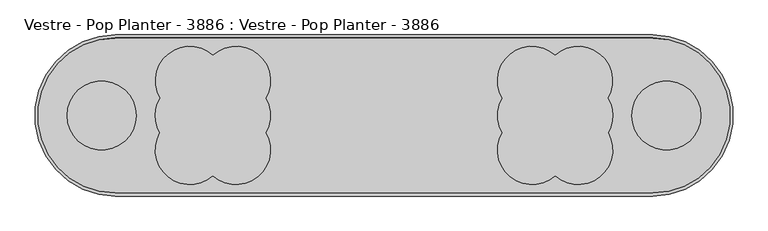
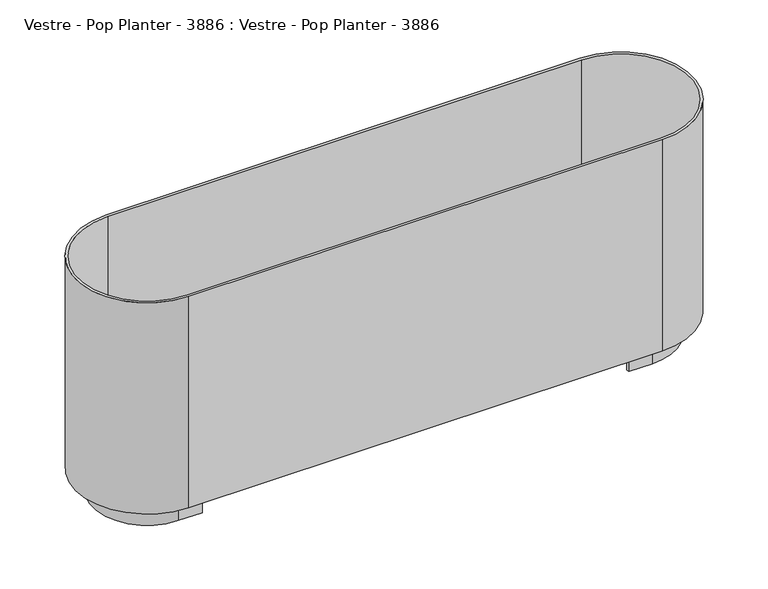
"""IFC4 building model written with IfcOpenShell, lengths in millimetres: furniture geometry, Vestre - Pop Planter - 3886 : Vestre - Pop Planter - 3886."""

import ifcopenshell
import ifcopenshell.guid

model = None  # the IFC model being written
_history = None  # IfcOwnerHistory: only IFC2X3 demands one
_inside = {}  # id of a spatial element -> (the spatial element, [elements in it])
_under = {}  # id of a project, library or spatial element -> (it, [spatial elements below it])
_declared = {}  # id of a project -> (the project, [libraries it declares])
_typed = {}  # id of a type object -> (the type object, [elements of that type])
_made_of = {}  # id of a material, layer set ... -> (it, [elements and type objects made of it])


def new_model(schema):
    """Start an empty IFC model of exactly this schema.

    Asked for "IFC4X3", IfcOpenShell would pick the latest addendum, in which some entities
    have other attributes; the version numbers below select the first issue.
    IFC2X3 requires an IfcOwnerHistory on every rooted entity: one is made here for all.
    """
    global model, _history
    if schema == "IFC4X3":
        model = ifcopenshell.file(schema_version=(4, 3, 0, 0))
    else:
        model = ifcopenshell.file(schema=schema)
    _inside.clear()
    _under.clear()
    _declared.clear()
    _typed.clear()
    _made_of.clear()
    _history = None
    if model.schema == "IFC2X3":
        org = make("IfcOrganization", Name="unknown")
        user = make(
            "IfcPersonAndOrganization",
            ThePerson=make("IfcPerson", FamilyName="unknown"),
            TheOrganization=org,
        )
        app = make(
            "IfcApplication",
            ApplicationDeveloper=org,
            Version="unknown",
            ApplicationFullName="unknown",
            ApplicationIdentifier="unknown",
        )
        _history = make(
            "IfcOwnerHistory",
            OwningUser=user,
            OwningApplication=app,
            ChangeAction="ADDED",
            CreationDate=0,
        )
    return model


def make(cls, **values):
    """One entity of the class cls with the attributes given. An attribute that is None is left unset."""
    return model.create_entity(
        cls, **{name: value for name, value in values.items() if value is not None}
    )


def rooted(cls, **values):
    """An entity with a GlobalId (a new one), such as an element, a storey or a relation."""
    return make(cls, GlobalId=ifcopenshell.guid.new(), OwnerHistory=_history, **values)


def si_unit(unit_type, name, prefix=None):
    """IfcSIUnit, for example si_unit("LENGTHUNIT", "METRE", prefix="MILLI")."""
    return make("IfcSIUnit", UnitType=unit_type, Prefix=prefix, Name=name)


def assignment(units):
    """IfcUnitAssignment: the units of a project."""
    return None if units is None else make("IfcUnitAssignment", Units=units)


def point(xyz):
    """IfcCartesianPoint."""
    return None if xyz is None else make("IfcCartesianPoint", Coordinates=xyz)


def direction(xyz):
    """IfcDirection."""
    return None if xyz is None else make("IfcDirection", DirectionRatios=xyz)


def frame(location, z_axis=None, x_axis=None):
    """IfcAxis2Placement3D, a coordinate frame: its origin and axes. An axis left out is left unset."""
    return make(
        "IfcAxis2Placement3D",
        Location=point(location),
        Axis=direction(z_axis),
        RefDirection=direction(x_axis),
    )


def frame_2d(location, x_axis=None):
    """IfcAxis2Placement2D, a coordinate frame in the plane: its origin and x axis."""
    return make(
        "IfcAxis2Placement2D", Location=point(location), RefDirection=direction(x_axis)
    )


def origin():
    """The frame at (0, 0, 0) with its axes left unset."""
    return frame((0.0, 0.0, 0.0))


def place(relative_to, where):
    """IfcLocalPlacement: puts the frame where relative to a parent placement (None: the world)."""
    return make(
        "IfcLocalPlacement", PlacementRelTo=relative_to, RelativePlacement=where
    )


def context(
    kind, dimensions, precision=None, world=None, true_north=None, identifier=None
):
    """IfcGeometricRepresentationContext, for example the 3D "Model" context."""
    return make(
        "IfcGeometricRepresentationContext",
        ContextIdentifier=identifier,
        ContextType=kind,
        CoordinateSpaceDimension=dimensions,
        Precision=precision,
        WorldCoordinateSystem=world,
        TrueNorth=true_north,
    )


def project(units=None, contexts=None):
    """IfcProject with its units and contexts."""
    return rooted(
        "IfcProject",
        Name="project",
        RepresentationContexts=contexts,
        UnitsInContext=assignment(units),
    )


def spatial(cls, under=None, at=None, **own):
    """A site, building, storey or space (cls), placed at a placement, below another one or the project."""
    s = rooted(cls, ObjectPlacement=at, **own)
    if under is not None:
        _under.setdefault(under.id(), (under, []))[1].append(s)
    return s


def polyline(points):
    """IfcPolyline through the points."""
    return make("IfcPolyline", Points=[point(p) for p in points])


def circle_curve(where, radius):
    """IfcCircle in the frame where."""
    return make("IfcCircle", Position=where, Radius=radius)


def trimmed(basis, trim1, trim2, sense, master):
    """IfcTrimmedCurve: the piece of a basis curve between two trims."""
    return make(
        "IfcTrimmedCurve",
        BasisCurve=basis,
        Trim1=trim1,
        Trim2=trim2,
        SenseAgreement=sense,
        MasterRepresentation=master,
    )


def segment(curve, same_sense, transition):
    """IfcCompositeCurveSegment."""
    return make(
        "IfcCompositeCurveSegment",
        Transition=transition,
        SameSense=same_sense,
        ParentCurve=curve,
    )


def composite_curve(segments, self_intersect=None):
    """IfcCompositeCurve: segments joined end to end."""
    return make("IfcCompositeCurve", Segments=segments, SelfIntersect=self_intersect)


def outline(outer, holes=None, kind="AREA"):
    """IfcArbitraryClosedProfileDef: a profile drawn as a closed curve; with holes, ...WithVoids."""
    if holes is None:
        return make("IfcArbitraryClosedProfileDef", ProfileType=kind, OuterCurve=outer)
    return make(
        "IfcArbitraryProfileDefWithVoids",
        ProfileType=kind,
        OuterCurve=outer,
        InnerCurves=holes,
    )


def extrude(swept, where, along, depth):
    """IfcExtrudedAreaSolid: the profile swept, set in the frame where, extruded along a direction by depth."""
    return make(
        "IfcExtrudedAreaSolid",
        SweptArea=swept,
        Position=where,
        ExtrudedDirection=direction(along),
        Depth=depth,
    )


def shape(context_of_items, identifier, shape_type, items):
    """IfcShapeRepresentation: the items that make up one representation, for example the "Body"."""
    return make(
        "IfcShapeRepresentation",
        ContextOfItems=context_of_items,
        RepresentationIdentifier=identifier,
        RepresentationType=shape_type,
        Items=items,
    )


def source(mapping_origin, context_of_items, identifier, shape_type, items):
    """IfcRepresentationMap: a shape defined once, which mapped items show again and again."""
    return make(
        "IfcRepresentationMap",
        MappingOrigin=mapping_origin,
        MappedRepresentation=shape(context_of_items, identifier, shape_type, items),
    )


def transform(
    local_origin,
    x_axis=None,
    y_axis=None,
    z_axis=None,
    scale=None,
    scale2=None,
    scale3=None,
    uniform=True,
):
    """IfcCartesianTransformationOperator3D, or its non-uniform kind. x_axis, y_axis, z_axis: its Axis1, 2, 3."""
    if uniform:
        return make(
            "IfcCartesianTransformationOperator3D",
            Axis1=direction(x_axis),
            Axis2=direction(y_axis),
            LocalOrigin=point(local_origin),
            Scale=scale,
            Axis3=direction(z_axis),
        )
    return make(
        "IfcCartesianTransformationOperator3DnonUniform",
        Axis1=direction(x_axis),
        Axis2=direction(y_axis),
        LocalOrigin=point(local_origin),
        Scale=scale,
        Axis3=direction(z_axis),
        Scale2=scale2,
        Scale3=scale3,
    )


def mapped(mapping_source, mapping_target):
    """IfcMappedItem: shows the shape of a source again, moved by a transform."""
    return make(
        "IfcMappedItem", MappingSource=mapping_source, MappingTarget=mapping_target
    )


def made_of(thing, what):
    """Note that an element or type object is made of a material, layer set ...; save() writes the relation."""
    if what is not None:
        _made_of.setdefault(what.id(), (what, []))[1].append(thing)
    return thing


def element(
    cls,
    number,
    at=None,
    inside=None,
    cuts=None,
    type_object=None,
    material=None,
    context=None,
    identifier="Body",
    shape_type=None,
    held_by="IfcProductDefinitionShape",
    body=None,
    shapes=None,
    **own,
):
    """One element of the class cls, such as IfcWall. Its Tag is "e" and its number.

    at: its placement. inside: the storey or other place that contains it. cuts: it is an
    opening in that element (IfcRelVoidsElement). A single representation is given by context,
    identifier, shape_type and body (its items); several are given by shapes. held_by: the class
    of the entity that holds the representations. save() writes the other relations.
    """
    e = rooted(cls, Tag="e%d" % number, ObjectPlacement=at, **own)
    if body is not None:
        shapes = [shape(context, identifier, shape_type, body)]
    if shapes is not None:
        e.Representation = make(held_by, Representations=shapes)
    if inside is not None:
        _inside.setdefault(inside.id(), (inside, []))[1].append(e)
    if cuts is not None:
        rooted(
            "IfcRelVoidsElement", RelatingBuildingElement=cuts, RelatedOpeningElement=e
        )
    if type_object is not None:
        _typed.setdefault(type_object.id(), (type_object, []))[1].append(e)
    return made_of(e, material)


def aggregate(whole, parts):
    """IfcRelAggregates: a whole, such as a stair, and the parts it consists of."""
    return rooted("IfcRelAggregates", RelatingObject=whole, RelatedObjects=parts)


def save(model, path):
    """Write the relations noted so far, then the file.

    IfcRelAggregates (storeys below a building ...), IfcRelContainedInSpatialStructure (elements
    in a storey), IfcRelDefinesByType, IfcRelAssociatesMaterial and IfcRelDeclares: one each for
    every whole, place, type object, material and project.
    """
    for whole, parts in _under.values():
        aggregate(whole, parts)
    for where, things in _inside.values():
        rooted(
            "IfcRelContainedInSpatialStructure",
            RelatedElements=things,
            RelatingStructure=where,
        )
    for kind, things in _typed.values():
        rooted("IfcRelDefinesByType", RelatedObjects=things, RelatingType=kind)
    for what, things in _made_of.values():
        rooted("IfcRelAssociatesMaterial", RelatedObjects=things, RelatingMaterial=what)
    for by, libraries in _declared.values():
        rooted("IfcRelDeclares", RelatingContext=by, RelatedDefinitions=libraries)
    model.write(path)


def plane_surface(at):
    """IfcPlane: the flat surface through the origin of the frame at, square to its z axis."""
    return make("IfcPlane", Position=at)


def cylinder_surface(at, radius):
    """IfcCylindricalSurface: all points at the distance radius from the z axis of the frame at."""
    return make("IfcCylindricalSurface", Position=at, Radius=radius)


def revolved_surface(curve, axis_point, axis_direction):
    """IfcSurfaceOfRevolution: the curve turned about the line through axis_point along axis_direction."""
    return make(
        "IfcSurfaceOfRevolution",
        SweptCurve=make("IfcArbitraryOpenProfileDef", ProfileType="CURVE", Curve=curve),
        AxisPosition=make("IfcAxis1Placement", Location=point(axis_point), Axis=direction(axis_direction)),
    )


def advanced_brep(points, edges, surfaces, faces):
    """IfcAdvancedBrep: a solid bounded by faces that lie on surfaces and meet in shared edges.

    An edge is (start, end): straight between two places in points (the first is 0);
    or (start, end, curve); or (start, end, curve, False) where it runs against its curve.
    A face is (place in surfaces, loops), or (place, loops, False) where it looks against
    its surface's normal. A loop lists edges by number (the first is 1), with a minus sign
    where the edge is run from its end to its start. The first loop is the outer one.
    """
    corners = [point(p) for p in points]
    vertices = [make("IfcVertexPoint", VertexGeometry=c) for c in corners]
    made = []
    for start, end, *more in edges:
        made.append(
            make(
                "IfcEdgeCurve",
                EdgeStart=vertices[start],
                EdgeEnd=vertices[end],
                EdgeGeometry=more[0] if more else make("IfcPolyline", Points=[corners[start], corners[end]]),
                SameSense=more[1] if len(more) > 1 else True,
            )
        )
    hull = []
    for where, loops, *sense in faces:
        bounds = []
        for j, loop in enumerate(loops):
            ring = [make("IfcOrientedEdge", EdgeElement=made[abs(k) - 1], Orientation=k > 0) for k in loop]
            bounds.append(
                make(
                    "IfcFaceOuterBound" if j == 0 else "IfcFaceBound",
                    Bound=make("IfcEdgeLoop", EdgeList=ring),
                    Orientation=True,
                )
            )
        hull.append(make("IfcAdvancedFace", Bounds=bounds, FaceSurface=surfaces[where], SameSense=sense[0] if sense else True))
    return make("IfcAdvancedBrep", Outer=make("IfcClosedShell", CfsFaces=hull))


def vestre_pop_planter_3886_vestre_pop_planter_3886_88736912(model_context):
    return source(origin(), model_context, "Body", "SolidModel", [
        advanced_brep(
        [(-700.0, 210.0, 730.0), (-700.0, -210.0, 730.0), (700.0, -210.0, 730.0), (700.0, 210.0, 730.0), (-700.0, -202.0, 730.0), (-700.0, 202.0, 730.0), (700.0, 202.0, 730.0), (700.0, -202.0, 730.0), (-700.0, -210.0, 70.0), (-700.0, 210.0, 70.0), (700.0, 210.0, 70.0), (700.0, -210.0, 70.0), (-630.0, 152.0, 70.0), (-630.0, 160.0, 70.0), (-700.0, 160.0, 70.0), (-700.0, -160.0, 70.0), (-630.0, -160.0, 70.0), (-630.0, -152.0, 70.0), (-700.0, -152.0, 70.0), (-700.0, 152.0, 70.0), (630.0, 152.0, 70.0), (700.0, 152.0, 70.0), (700.0, -152.0, 70.0), (630.0, -152.0, 70.0), (630.0, -160.0, 70.0), (700.0, -160.0, 70.0), (700.0, 160.0, 70.0), (630.0, 160.0, 70.0), (700.0, -202.0, 80.0), (-700.0, -202.0, 80.0), (-700.0, 202.0, 80.0), (700.0, 202.0, 80.0), (-630.0, 152.0, 0.0), (-700.0, 152.0, 0.0), (-700.0, -152.0, 0.0), (-630.0, -152.0, 0.0), (-630.0, -160.0, 0.0), (-700.0, -160.0, 0.0), (-700.0, 160.0, 0.0), (-630.0, 160.0, 0.0), (630.0, 152.0, 0.0), (630.0, 160.0, 0.0), (700.0, 160.0, 0.0), (700.0, -160.0, 0.0), (630.0, -160.0, 0.0), (630.0, -152.0, 0.0), (700.0, -152.0, 0.0), (700.0, 152.0, 0.0)],
        [
            (0, 1, circle_curve(frame((-700.0, 0.0, 730.0), z_axis=(0.0, 0.0, 1.0), x_axis=(0.0, -1.0, 0.0)), 210.0)),
            (1, 2),
            (2, 3, circle_curve(frame((700.0, 0.0, 730.0), z_axis=(0.0, 0.0, 1.0), x_axis=(0.0, -1.0, 0.0)), 210.0)),
            (3, 0),
            (4, 5, circle_curve(frame((-700.0, 0.0, 730.0), z_axis=(0.0, 0.0, -1.0), x_axis=(0.0, 1.0, 0.0)), 202.0)),
            (5, 6),
            (6, 7, circle_curve(frame((700.0, 0.0, 730.0), z_axis=(0.0, 0.0, -1.0), x_axis=(0.0, 1.0, 0.0)), 202.0)),
            (7, 4),
            (8, 9, circle_curve(frame((-700.0, 0.0, 70.0), z_axis=(0.0, 0.0, -1.0), x_axis=(0.0, -1.0, 0.0)), 210.0)),
            (9, 10),
            (10, 11, circle_curve(frame((700.0, 0.0, 70.0), z_axis=(0.0, 0.0, -1.0), x_axis=(0.0, -1.0, 0.0)), 210.0)),
            (11, 8),
            (12, 13),
            (13, 14),
            (14, 15, circle_curve(frame((-700.0, 0.0, 70.0), z_axis=(0.0, 0.0, 1.0), x_axis=(0.0, -1.0, 0.0)), 160.0)),
            (15, 16),
            (16, 17),
            (17, 18),
            (18, 19, circle_curve(frame((-700.0, 0.0, 70.0), z_axis=(0.0, 0.0, -1.0), x_axis=(0.0, 1.0, 0.0)), 152.0)),
            (19, 12),
            (20, 21),
            (21, 22, circle_curve(frame((700.0, 0.0, 70.0), z_axis=(0.0, 0.0, -1.0), x_axis=(0.0, 1.0, 0.0)), 152.0)),
            (22, 23),
            (23, 24),
            (24, 25),
            (25, 26, circle_curve(frame((700.0, 0.0, 70.0), z_axis=(0.0, 0.0, 1.0), x_axis=(0.0, -1.0, 0.0)), 160.0)),
            (26, 27),
            (27, 20),
            (0, 9),
            (8, 1),
            (11, 2),
            (7, 28),
            (28, 29),
            (29, 4),
            (29, 30, circle_curve(frame((-700.0, 0.0, 80.0), z_axis=(0.0, 0.0, -1.0), x_axis=(0.0, 1.0, 0.0)), 202.0)),
            (30, 5),
            (30, 31),
            (31, 6),
            (3, 10),
            (31, 28, circle_curve(frame((700.0, 0.0, 80.0), z_axis=(0.0, 0.0, -1.0), x_axis=(0.0, 1.0, 0.0)), 202.0)),
            (32, 33),
            (33, 34, circle_curve(frame((-700.0, 0.0, 0.0), z_axis=(0.0, 0.0, 1.0), x_axis=(0.0, 1.0, 0.0)), 152.0)),
            (34, 35),
            (35, 36),
            (36, 37),
            (37, 38, circle_curve(frame((-700.0, 0.0, 0.0), z_axis=(0.0, 0.0, -1.0), x_axis=(0.0, -1.0, 0.0)), 160.0)),
            (38, 39),
            (39, 32),
            (40, 41),
            (41, 42),
            (42, 43, circle_curve(frame((700.0, 0.0, 0.0), z_axis=(0.0, 0.0, -1.0), x_axis=(0.0, -1.0, 0.0)), 160.0)),
            (43, 44),
            (44, 45),
            (45, 46),
            (46, 47, circle_curve(frame((700.0, 0.0, 0.0), z_axis=(0.0, 0.0, 1.0), x_axis=(0.0, 1.0, 0.0)), 152.0)),
            (47, 40),
            (39, 13),
            (12, 32),
            (38, 14),
            (37, 15),
            (36, 16),
            (35, 17),
            (34, 18),
            (33, 19),
            (47, 21),
            (20, 40),
            (46, 22),
            (45, 23),
            (44, 24),
            (43, 25),
            (42, 26),
            (41, 27),
        ],
        [
            plane_surface(frame((-700.0, -210.0, 730.0), z_axis=(0.0, 0.0, 1.0), x_axis=(1.0, 0.0, 0.0))),
            plane_surface(frame((-700.0, -210.0, 70.0), z_axis=(0.0, 0.0, -1.0), x_axis=(-1.0, 0.0, 0.0))),
            cylinder_surface(frame((-700.0, 0.0, 70.0), z_axis=(0.0, 0.0, 1.0), x_axis=(0.0, -1.0, 0.0)), 210.0),
            plane_surface(frame((-700.0, -210.0, 730.0), z_axis=(0.0, -1.0, 0.0), x_axis=(0.0, 0.0, -1.0))),
            plane_surface(frame((-630.0, -202.0, 730.0), z_axis=(0.0, 1.0, 0.0), x_axis=(0.0, 0.0, -1.0))),
            revolved_surface(polyline([(-700.0, 202.0, 80.0), (-700.0, 202.0, 730.0)]), (-700.0, 0.0, 70.0), (0.0, 0.0, -1.0)),
            plane_surface(frame((-700.0, 202.0, 730.0), z_axis=(0.0, -1.0, 0.0), x_axis=(0.0, 0.0, -1.0))),
            plane_surface(frame((-630.0, 210.0, 730.0), z_axis=(0.0, 1.0, 0.0), x_axis=(0.0, 0.0, -1.0))),
            cylinder_surface(frame((700.0, 0.0, 70.0), z_axis=(0.0, 0.0, 1.0), x_axis=(0.0, -1.0, 0.0)), 210.0),
            revolved_surface(polyline([(700.0, 202.0, 80.0), (700.0, 202.0, 730.0)]), (700.0, 0.0, 70.0), (0.0, 0.0, -1.0)),
            plane_surface(frame((-700.0, 202.0, 80.0), z_axis=(0.0, 0.0, 1.0), x_axis=(-1.0, 0.0, 0.0))),
            plane_surface(frame((-630.0, 152.0, 0.0), z_axis=(0.0, 0.0, -1.0), x_axis=(0.0, -1.0, 0.0))),
            plane_surface(frame((-630.0, 152.0, 70.0), z_axis=(1.0, 0.0, 0.0), x_axis=(0.0, 0.0, -1.0))),
            plane_surface(frame((-630.0, 160.0, 70.0), z_axis=(0.0, 1.0, 0.0), x_axis=(0.0, 0.0, -1.0))),
            cylinder_surface(frame((-700.0, 0.0, 0.0), z_axis=(0.0, 0.0, 1.0), x_axis=(0.0, -1.0, 0.0)), 160.0),
            plane_surface(frame((-700.0, -160.0, 70.0), z_axis=(0.0, -1.0, 0.0), x_axis=(0.0, 0.0, -1.0))),
            plane_surface(frame((-630.0, -160.0, 70.0), z_axis=(1.0, 0.0, 0.0), x_axis=(0.0, 0.0, -1.0))),
            plane_surface(frame((-630.0, -152.0, 70.0), z_axis=(0.0, 1.0, 0.0), x_axis=(0.0, 0.0, -1.0))),
            revolved_surface(polyline([(-700.0, 152.0, 0.0), (-700.0, 152.0, 70.0)]), (-700.0, 0.0, 0.0), (0.0, 0.0, -1.0)),
            plane_surface(frame((-700.0, 152.0, 70.0), z_axis=(0.0, -1.0, 0.0), x_axis=(0.0, 0.0, -1.0))),
            plane_surface(frame((630.0, 152.0, 70.0), z_axis=(0.0, -1.0, 0.0), x_axis=(0.0, 0.0, -1.0))),
            revolved_surface(polyline([(700.0, 152.0, 0.0), (700.0, 152.0, 70.0)]), (700.0, 0.0, 0.0), (0.0, 0.0, -1.0)),
            plane_surface(frame((700.0, -152.0, 70.0), z_axis=(0.0, 1.0, 0.0), x_axis=(0.0, 0.0, -1.0))),
            plane_surface(frame((630.0, -152.0, 70.0), z_axis=(-1.0, 0.0, 0.0), x_axis=(0.0, 0.0, -1.0))),
            plane_surface(frame((630.0, -160.0, 70.0), z_axis=(0.0, -1.0, 0.0), x_axis=(0.0, 0.0, -1.0))),
            cylinder_surface(frame((700.0, 0.0, 0.0), z_axis=(0.0, 0.0, 1.0), x_axis=(0.0, -1.0, 0.0)), 160.0),
            plane_surface(frame((700.0, 160.0, 70.0), z_axis=(0.0, 1.0, 0.0), x_axis=(0.0, 0.0, -1.0))),
            plane_surface(frame((630.0, 160.0, 70.0), z_axis=(-1.0, 0.0, 0.0), x_axis=(0.0, 0.0, -1.0))),
        ],
        [
            (0, [[1, 2, 3, 4], [5, 6, 7, 8]]),
            (1, [[9, 10, 11, 12], [13, 14, 15, 16, 17, 18, 19, 20], [21, 22, 23, 24, 25, 26, 27, 28]]),
            (2, [[-1, 29, -9, 30]]),
            (3, [[-30, -12, 31, -2]]),
            (4, [[-8, 32, 33, 34]]),
            (5, [[-5, -34, 35, 36]]),
            (6, [[-6, -36, 37, 38]]),
            (7, [[-29, -4, 39, -10]]),
            (8, [[-3, -31, -11, -39]]),
            (9, [[-7, -38, 40, -32]]),
            (10, [[-33, -40, -37, -35]]),
            (11, [[41, 42, 43, 44, 45, 46, 47, 48]]),
            (11, [[49, 50, 51, 52, 53, 54, 55, 56]]),
            (12, [[-48, 57, -13, 58]]),
            (13, [[-47, 59, -14, -57]]),
            (14, [[-46, 60, -15, -59]]),
            (15, [[-45, 61, -16, -60]]),
            (16, [[-44, 62, -17, -61]]),
            (17, [[-43, 63, -18, -62]]),
            (18, [[-42, 64, -19, -63]]),
            (19, [[-41, -58, -20, -64]]),
            (20, [[-56, 65, -21, 66]]),
            (21, [[-55, 67, -22, -65]]),
            (22, [[-54, 68, -23, -67]]),
            (23, [[-53, 69, -24, -68]]),
            (24, [[-52, 70, -25, -69]]),
            (25, [[-51, 71, -26, -70]]),
            (26, [[-50, 72, -27, -71]]),
            (27, [[-49, -66, -28, -72]]),
        ],
    ),
        extrude(outline(composite_curve([segment(polyline([(-700.0, 202.0), (700.0, 202.0)]), True, "CONTINUOUS"), segment(trimmed(circle_curve(frame_2d((700.0, 0.0)), 202.0), [point((700.0, 202.0))], [point((700.0, -202.0))], False, "CARTESIAN"), True, "CONTINUOUS"), segment(polyline([(700.0, -202.0), (-700.0, -202.0)]), True, "CONTINUOUS"), segment(trimmed(circle_curve(frame_2d((-700.0, 0.0)), 202.0), [point((-700.0, -202.0))], [point((-700.0, 202.0))], False, "CARTESIAN"), True, "CONTINUOUS")], self_intersect=False), holes=[composite_curve([segment(trimmed(circle_curve(frame_2d((-736.1748477, 0.0)), 90.0), [point((-826.1748477, 0.0))], [point((-646.1748477, 0.0))], True, "CARTESIAN"), True, "CONTINUOUS"), segment(trimmed(circle_curve(frame_2d((-736.1748477, 0.0)), 90.0), [point((-646.1748477, 0.0))], [point((-826.1748477, 0.0))], True, "CARTESIAN"), True, "CONTINUOUS")], self_intersect=False), composite_curve([segment(trimmed(circle_curve(frame_2d((736.1748477, 0.0)), 90.0), [point((826.1748477, 0.0))], [point((646.1748477, 0.0))], True, "CARTESIAN"), True, "CONTINUOUS"), segment(trimmed(circle_curve(frame_2d((736.1748477, 0.0)), 90.0), [point((646.1748477, 0.0))], [point((826.1748477, 0.0))], True, "CARTESIAN"), True, "CONTINUOUS")], self_intersect=False), composite_curve([segment(trimmed(circle_curve(frame_2d((-506.1748477, 0.0)), 90.0), [point((-583.8447926, 45.4684468))], [point((-584.117134, -45.0))], True, "CARTESIAN"), True, "CONTINUOUS"), segment(trimmed(circle_curve(frame_2d((-506.1748477, -90.0)), 90.0), [point((-584.117134, -45.0))], [point((-446.1748477, -157.0820393))], True, "CARTESIAN"), True, "CONTINUOUS"), segment(trimmed(circle_curve(frame_2d((-386.1629994, -89.8687474)), 90.105763), [point((-446.1748477, -157.0820393))], [point((-308.1278269, -44.8181051))], True, "CARTESIAN"), True, "CONTINUOUS"), segment(trimmed(circle_curve(frame_2d((-386.1748477, 0.0)), 90.0), [point((-308.1278269, -44.8181051))], [point((-308.1278269, 44.8181051))], True, "CARTESIAN"), True, "CONTINUOUS"), segment(trimmed(circle_curve(frame_2d((-385.7977718, 90.2865519)), 90.0), [point((-308.1278269, 44.8181051))], [point((-445.7977718, 157.3685912))], True, "CARTESIAN"), True, "CONTINUOUS"), segment(trimmed(circle_curve(frame_2d((-505.7977718, 90.2865519)), 90.0), [point((-445.7977718, 157.3685912))], [point((-583.8447926, 45.4684468))], True, "CARTESIAN"), True, "CONTINUOUS")], self_intersect=False), composite_curve([segment(trimmed(circle_curve(frame_2d((505.7977718, 90.2865519)), 90.0), [point((583.8447926, 45.4684468))], [point((445.7977718, 157.3685912))], True, "CARTESIAN"), True, "CONTINUOUS"), segment(trimmed(circle_curve(frame_2d((385.7977718, 90.2865519)), 90.0), [point((445.7977718, 157.3685912))], [point((308.1278269, 44.8181051))], True, "CARTESIAN"), True, "CONTINUOUS"), segment(trimmed(circle_curve(frame_2d((386.1748477, 0.0)), 90.0), [point((308.1278269, 44.8181051))], [point((308.1278269, -44.8181051))], True, "CARTESIAN"), True, "CONTINUOUS"), segment(trimmed(circle_curve(frame_2d((386.1629994, -89.8687474)), 90.105763), [point((308.1278269, -44.8181051))], [point((446.1748477, -157.0820393))], True, "CARTESIAN"), True, "CONTINUOUS"), segment(trimmed(circle_curve(frame_2d((506.1748477, -90.0)), 90.0), [point((446.1748477, -157.0820393))], [point((584.117134, -45.0))], True, "CARTESIAN"), True, "CONTINUOUS"), segment(trimmed(circle_curve(frame_2d((506.1748477, 0.0)), 90.0), [point((584.117134, -45.0))], [point((583.8447926, 45.4684468))], True, "CARTESIAN"), True, "CONTINUOUS")], self_intersect=False)]), frame((0.0, 0.0, 80.0), z_axis=(0.0, 0.0, 1.0), x_axis=(1.0, 0.0, 0.0)), (0.0, 0.0, 1.0), 1.0),
    ])


if __name__ == "__main__":
    model = new_model("IFC4")
    model_context = context("Model", 3, world=origin())
    ifc_project = project(units=[si_unit("LENGTHUNIT", "METRE", prefix="MILLI")], contexts=[model_context])
    site = spatial("IfcSite", under=ifc_project)
    building = spatial("IfcBuilding", under=site)
    placement = place(None, origin())
    vestre_pop_planter_3886_vestre_pop_planter_3886_shape = vestre_pop_planter_3886_vestre_pop_planter_3886_88736912(model_context)
    element("IfcFurniture", 1, ObjectType="Vestre - Pop Planter - 3886 : Vestre - Pop Planter - 3886", at=placement, inside=building, context=model_context, shape_type="MappedRepresentation", body=[
        mapped(vestre_pop_planter_3886_vestre_pop_planter_3886_shape, transform((0.0, 0.0, 0.0), x_axis=(1.0, 0.0, 0.0), y_axis=(0.0, 1.0, 0.0), z_axis=(0.0, 0.0, 1.0))),
    ])
    save(model, "model.ifc")
